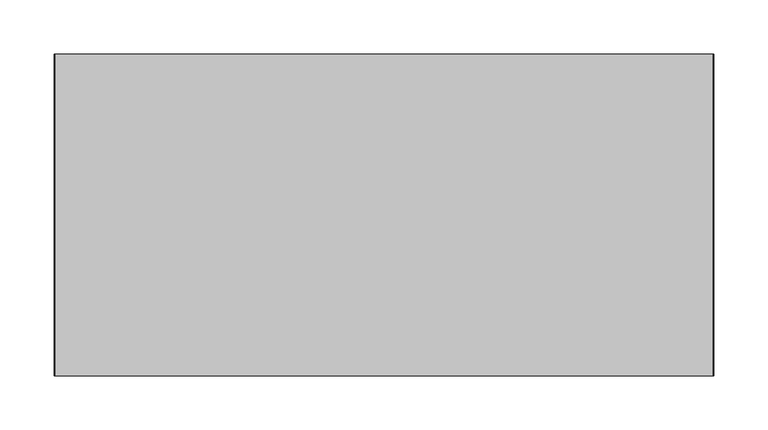
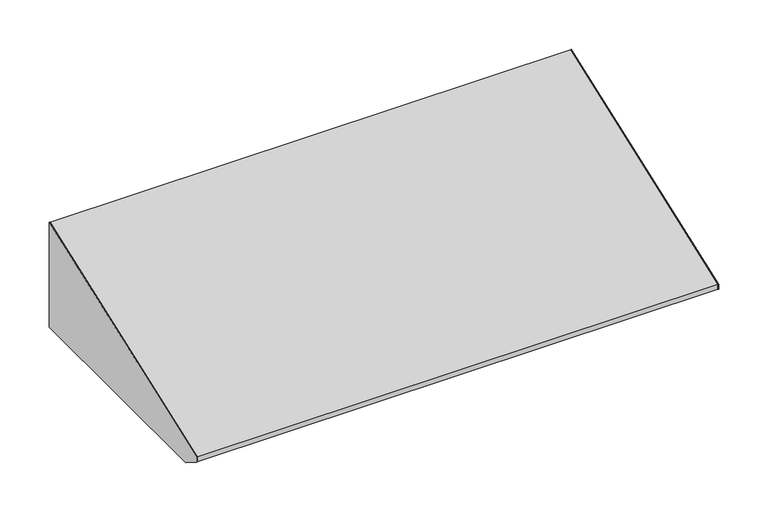
"""IFC4 building model written with IfcOpenShell, lengths in millimetres: furniture geometry."""

from ifc_helpers import new_model, si_unit, frame, origin, place, context, project, spatial, polyline, outline, extrude, source, transform, mapped, element, save


def furniture_c5d45ada(model_context):
    return source(origin(), model_context, "Body", "SweptSolid", [
        extrude(outline(polyline([(-21.75256, 2268.0038151), (-21.75256, 2138.60888), (-297.3953187, 2138.60888), (-319.23736, 2152.4400216), (-319.23736, 2158.5622722), (-21.75256, 2268.0038151)])), frame((322.7439549, 0.0, 0.0), z_axis=(1.0, 0.0, 0.0), x_axis=(0.0, 1.0, 0.0)), (0.0, 0.0, 1.0), 0.79375),
        extrude(outline(polyline([(-21.75256, 2138.60888), (-297.3953187, 2138.60888), (-319.23736, 2152.4400216), (-319.23736, 2158.5622722), (-21.75256, 2268.0038151), (-21.75256, 2138.60888)])), frame((-286.0622951, 0.0, 0.0), z_axis=(1.0, 0.0, 0.0), x_axis=(0.0, 1.0, 0.0)), (0.0, 0.0, 1.0), 0.79375),
        extrude(outline(polyline([(304.488502, -284.6953187), (304.488502, -97.8702473), (322.7439549, -97.8702473), (322.7439549, -284.6953187), (304.488502, -284.6953187)])), frame((0.0, 0.0, 2138.60888), z_axis=(0.0, 0.0, 1.0), x_axis=(1.0, 0.0, 0.0)), (0.0, 0.0, 1.0), 0.79375),
        extrude(outline(polyline([(-21.75256, 2138.60888), (-97.5295544, 2138.60888), (-97.5295544, 2139.40263), (-22.54631, 2139.40263), (-22.54631, 2253.4941589), (-21.75256, 2253.4941589), (-21.75256, 2138.60888)])), frame((312.1081836, 0.0, 0.0), z_axis=(1.0, 0.0, 0.0), x_axis=(0.0, 1.0, 0.0)), (0.0, 0.0, 1.0), 10.6357713),
        extrude(outline(polyline([(-21.75256, 2138.60888), (-97.5295544, 2138.60888), (-97.5295544, 2139.40263), (-22.54631, 2139.40263), (-22.54631, 2253.4941589), (-21.75256, 2253.4941589), (-21.75256, 2138.60888)])), frame((-285.2685451, 0.0, 0.0), z_axis=(1.0, 0.0, 0.0), x_axis=(0.0, 1.0, 0.0)), (0.0, 0.0, 1.0), 10.6357713),
        extrude(outline(polyline([(-285.2685451, -284.6953187), (-285.2685451, -97.8702473), (-267.0130922, -97.8702473), (-267.0130922, -284.6953187), (-285.2685451, -284.6953187)])), frame((0.0, 0.0, 2138.60888), z_axis=(0.0, 0.0, 1.0), x_axis=(1.0, 0.0, 0.0)), (0.0, 0.0, 1.0), 0.79375),
        extrude(outline(polyline([(-319.23736, 2158.5622722), (-21.75256, 2268.0038151), (-21.75256, 2253.4941589), (-22.54631, 2253.4941589), (-22.54631, 2266.8675609), (-318.44361, 2158.0077844), (-318.44361, 2152.8768999), (-221.2358067, 2139.40263), (-284.6953187, 2139.40263), (-284.6953187, 2138.60888), (-297.3953187, 2138.60888), (-319.23736, 2152.4400216), (-319.23736, 2158.5622722)])), frame((-285.2685451, 0.0, 0.0), z_axis=(1.0, 0.0, 0.0), x_axis=(0.0, 1.0, 0.0)), (0.0, 0.0, 1.0), 608.0125),
    ])


if __name__ == "__main__":
    model = new_model("IFC4")
    model_context = context("Model", 3, world=origin())
    ifc_project = project(units=[si_unit("LENGTHUNIT", "METRE", prefix="MILLI")], contexts=[model_context])
    site = spatial("IfcSite", under=ifc_project)
    building = spatial("IfcBuilding", under=site)
    placement = place(None, origin())
    furniture_shape = furniture_c5d45ada(model_context)
    element("IfcFurniture", 1, at=placement, inside=building, context=model_context, shape_type="MappedRepresentation", body=[
        mapped(furniture_shape, transform((0.0, 0.0, 0.0), x_axis=(1.0, 0.0, 0.0), y_axis=(0.0, 1.0, 0.0), z_axis=(0.0, 0.0, 1.0))),
    ])
    save(model, "model.ifc")
